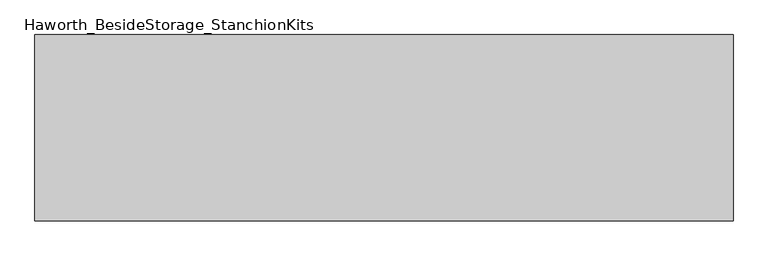
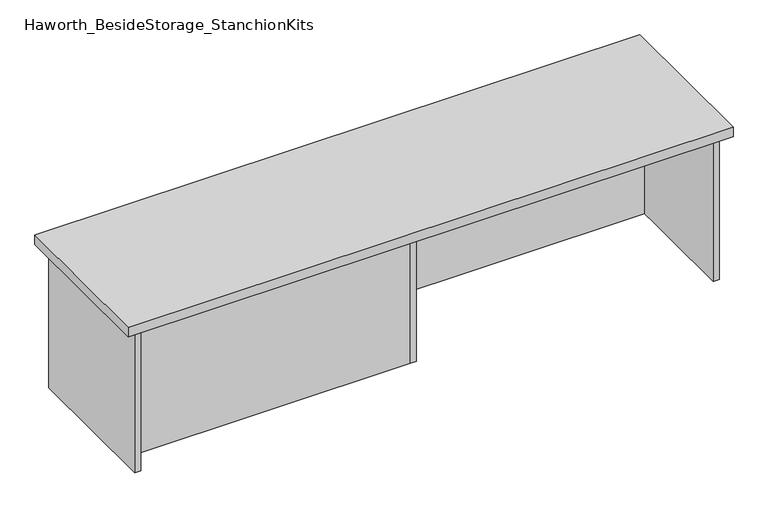
"""IFC4 building model written with IfcOpenShell, lengths in millimetres: furniture geometry, Haworth_BesideStorage_StanchionKits."""

import ifcopenshell
import ifcopenshell.guid

model = None  # the IFC model being written
_history = None  # IfcOwnerHistory: only IFC2X3 demands one
_inside = {}  # id of a spatial element -> (the spatial element, [elements in it])
_under = {}  # id of a project, library or spatial element -> (it, [spatial elements below it])
_declared = {}  # id of a project -> (the project, [libraries it declares])
_typed = {}  # id of a type object -> (the type object, [elements of that type])
_made_of = {}  # id of a material, layer set ... -> (it, [elements and type objects made of it])


def new_model(schema):
    """Start an empty IFC model of exactly this schema.

    Asked for "IFC4X3", IfcOpenShell would pick the latest addendum, in which some entities
    have other attributes; the version numbers below select the first issue.
    IFC2X3 requires an IfcOwnerHistory on every rooted entity: one is made here for all.
    """
    global model, _history
    if schema == "IFC4X3":
        model = ifcopenshell.file(schema_version=(4, 3, 0, 0))
    else:
        model = ifcopenshell.file(schema=schema)
    _inside.clear()
    _under.clear()
    _declared.clear()
    _typed.clear()
    _made_of.clear()
    _history = None
    if model.schema == "IFC2X3":
        org = make("IfcOrganization", Name="unknown")
        user = make(
            "IfcPersonAndOrganization",
            ThePerson=make("IfcPerson", FamilyName="unknown"),
            TheOrganization=org,
        )
        app = make(
            "IfcApplication",
            ApplicationDeveloper=org,
            Version="unknown",
            ApplicationFullName="unknown",
            ApplicationIdentifier="unknown",
        )
        _history = make(
            "IfcOwnerHistory",
            OwningUser=user,
            OwningApplication=app,
            ChangeAction="ADDED",
            CreationDate=0,
        )
    return model


def make(cls, **values):
    """One entity of the class cls with the attributes given. An attribute that is None is left unset."""
    return model.create_entity(
        cls, **{name: value for name, value in values.items() if value is not None}
    )


def rooted(cls, **values):
    """An entity with a GlobalId (a new one), such as an element, a storey or a relation."""
    return make(cls, GlobalId=ifcopenshell.guid.new(), OwnerHistory=_history, **values)


def si_unit(unit_type, name, prefix=None):
    """IfcSIUnit, for example si_unit("LENGTHUNIT", "METRE", prefix="MILLI")."""
    return make("IfcSIUnit", UnitType=unit_type, Prefix=prefix, Name=name)


def assignment(units):
    """IfcUnitAssignment: the units of a project."""
    return None if units is None else make("IfcUnitAssignment", Units=units)


def point(xyz):
    """IfcCartesianPoint."""
    return None if xyz is None else make("IfcCartesianPoint", Coordinates=xyz)


def direction(xyz):
    """IfcDirection."""
    return None if xyz is None else make("IfcDirection", DirectionRatios=xyz)


def frame(location, z_axis=None, x_axis=None):
    """IfcAxis2Placement3D, a coordinate frame: its origin and axes. An axis left out is left unset."""
    return make(
        "IfcAxis2Placement3D",
        Location=point(location),
        Axis=direction(z_axis),
        RefDirection=direction(x_axis),
    )


def origin():
    """The frame at (0, 0, 0) with its axes left unset."""
    return frame((0.0, 0.0, 0.0))


def place(relative_to, where):
    """IfcLocalPlacement: puts the frame where relative to a parent placement (None: the world)."""
    return make(
        "IfcLocalPlacement", PlacementRelTo=relative_to, RelativePlacement=where
    )


def context(
    kind, dimensions, precision=None, world=None, true_north=None, identifier=None
):
    """IfcGeometricRepresentationContext, for example the 3D "Model" context."""
    return make(
        "IfcGeometricRepresentationContext",
        ContextIdentifier=identifier,
        ContextType=kind,
        CoordinateSpaceDimension=dimensions,
        Precision=precision,
        WorldCoordinateSystem=world,
        TrueNorth=true_north,
    )


def project(units=None, contexts=None):
    """IfcProject with its units and contexts."""
    return rooted(
        "IfcProject",
        Name="project",
        RepresentationContexts=contexts,
        UnitsInContext=assignment(units),
    )


def spatial(cls, under=None, at=None, **own):
    """A site, building, storey or space (cls), placed at a placement, below another one or the project."""
    s = rooted(cls, ObjectPlacement=at, **own)
    if under is not None:
        _under.setdefault(under.id(), (under, []))[1].append(s)
    return s


def polyline(points):
    """IfcPolyline through the points."""
    return make("IfcPolyline", Points=[point(p) for p in points])


def outline(outer, holes=None, kind="AREA"):
    """IfcArbitraryClosedProfileDef: a profile drawn as a closed curve; with holes, ...WithVoids."""
    if holes is None:
        return make("IfcArbitraryClosedProfileDef", ProfileType=kind, OuterCurve=outer)
    return make(
        "IfcArbitraryProfileDefWithVoids",
        ProfileType=kind,
        OuterCurve=outer,
        InnerCurves=holes,
    )


def extrude(swept, where, along, depth):
    """IfcExtrudedAreaSolid: the profile swept, set in the frame where, extruded along a direction by depth."""
    return make(
        "IfcExtrudedAreaSolid",
        SweptArea=swept,
        Position=where,
        ExtrudedDirection=direction(along),
        Depth=depth,
    )


def shape(context_of_items, identifier, shape_type, items):
    """IfcShapeRepresentation: the items that make up one representation, for example the "Body"."""
    return make(
        "IfcShapeRepresentation",
        ContextOfItems=context_of_items,
        RepresentationIdentifier=identifier,
        RepresentationType=shape_type,
        Items=items,
    )


def source(mapping_origin, context_of_items, identifier, shape_type, items):
    """IfcRepresentationMap: a shape defined once, which mapped items show again and again."""
    return make(
        "IfcRepresentationMap",
        MappingOrigin=mapping_origin,
        MappedRepresentation=shape(context_of_items, identifier, shape_type, items),
    )


def transform(
    local_origin,
    x_axis=None,
    y_axis=None,
    z_axis=None,
    scale=None,
    scale2=None,
    scale3=None,
    uniform=True,
):
    """IfcCartesianTransformationOperator3D, or its non-uniform kind. x_axis, y_axis, z_axis: its Axis1, 2, 3."""
    if uniform:
        return make(
            "IfcCartesianTransformationOperator3D",
            Axis1=direction(x_axis),
            Axis2=direction(y_axis),
            LocalOrigin=point(local_origin),
            Scale=scale,
            Axis3=direction(z_axis),
        )
    return make(
        "IfcCartesianTransformationOperator3DnonUniform",
        Axis1=direction(x_axis),
        Axis2=direction(y_axis),
        LocalOrigin=point(local_origin),
        Scale=scale,
        Axis3=direction(z_axis),
        Scale2=scale2,
        Scale3=scale3,
    )


def mapped(mapping_source, mapping_target):
    """IfcMappedItem: shows the shape of a source again, moved by a transform."""
    return make(
        "IfcMappedItem", MappingSource=mapping_source, MappingTarget=mapping_target
    )


def made_of(thing, what):
    """Note that an element or type object is made of a material, layer set ...; save() writes the relation."""
    if what is not None:
        _made_of.setdefault(what.id(), (what, []))[1].append(thing)
    return thing


def element(
    cls,
    number,
    at=None,
    inside=None,
    cuts=None,
    type_object=None,
    material=None,
    context=None,
    identifier="Body",
    shape_type=None,
    held_by="IfcProductDefinitionShape",
    body=None,
    shapes=None,
    **own,
):
    """One element of the class cls, such as IfcWall. Its Tag is "e" and its number.

    at: its placement. inside: the storey or other place that contains it. cuts: it is an
    opening in that element (IfcRelVoidsElement). A single representation is given by context,
    identifier, shape_type and body (its items); several are given by shapes. held_by: the class
    of the entity that holds the representations. save() writes the other relations.
    """
    e = rooted(cls, Tag="e%d" % number, ObjectPlacement=at, **own)
    if body is not None:
        shapes = [shape(context, identifier, shape_type, body)]
    if shapes is not None:
        e.Representation = make(held_by, Representations=shapes)
    if inside is not None:
        _inside.setdefault(inside.id(), (inside, []))[1].append(e)
    if cuts is not None:
        rooted(
            "IfcRelVoidsElement", RelatingBuildingElement=cuts, RelatedOpeningElement=e
        )
    if type_object is not None:
        _typed.setdefault(type_object.id(), (type_object, []))[1].append(e)
    return made_of(e, material)


def aggregate(whole, parts):
    """IfcRelAggregates: a whole, such as a stair, and the parts it consists of."""
    return rooted("IfcRelAggregates", RelatingObject=whole, RelatedObjects=parts)


def save(model, path):
    """Write the relations noted so far, then the file.

    IfcRelAggregates (storeys below a building ...), IfcRelContainedInSpatialStructure (elements
    in a storey), IfcRelDefinesByType, IfcRelAssociatesMaterial and IfcRelDeclares: one each for
    every whole, place, type object, material and project.
    """
    for whole, parts in _under.values():
        aggregate(whole, parts)
    for where, things in _inside.values():
        rooted(
            "IfcRelContainedInSpatialStructure",
            RelatedElements=things,
            RelatingStructure=where,
        )
    for kind, things in _typed.values():
        rooted("IfcRelDefinesByType", RelatedObjects=things, RelatingType=kind)
    for what, things in _made_of.values():
        rooted("IfcRelAssociatesMaterial", RelatedObjects=things, RelatingMaterial=what)
    for by, libraries in _declared.values():
        rooted("IfcRelDeclares", RelatingContext=by, RelatedDefinitions=libraries)
    model.write(path)


def haworth_besidestorage_stanchionkits_37e6fd96(model_context):
    return source(origin(), model_context, "Body", "SweptSolid", [
        extrude(outline(polyline([(923.925, 0.0), (923.925, -406.4), (-600.075, -406.4), (-600.075, 0.0), (923.925, 0.0)])), frame((0.0, 0.0, 812.8), z_axis=(0.0, 0.0, 1.0), x_axis=(1.0, 0.0, 0.0)), (0.0, 0.0, 1.0), 25.4),
        extrude(outline(polyline([(169.8625, -76.2), (882.65, -76.2), (882.65, -92.075), (169.8625, -92.075), (169.8625, -76.2)])), frame((0.0, 0.0, 431.8), z_axis=(0.0, 0.0, 1.0), x_axis=(1.0, 0.0, 0.0)), (0.0, 0.0, 1.0), 381.0),
        extrude(outline(polyline([(153.9875, -314.325), (153.9875, -330.2), (-558.8, -330.2), (-558.8, -314.325), (153.9875, -314.325)])), frame((0.0, 0.0, 431.8), z_axis=(0.0, 0.0, 1.0), x_axis=(1.0, 0.0, 0.0)), (0.0, 0.0, 1.0), 381.0),
        extrude(outline(polyline([(169.8625, -330.2), (153.9875, -330.2), (153.9875, -76.2), (169.8625, -76.2), (169.8625, -330.2)])), frame((0.0, 0.0, 431.8), z_axis=(0.0, 0.0, 1.0), x_axis=(1.0, 0.0, 0.0)), (0.0, 0.0, 1.0), 381.0),
        extrude(outline(polyline([(898.525, -390.525), (882.65, -390.525), (882.65, -15.875), (898.525, -15.875), (898.525, -390.525)])), frame((0.0, 0.0, 431.8), z_axis=(0.0, 0.0, 1.0), x_axis=(1.0, 0.0, 0.0)), (0.0, 0.0, 1.0), 381.0),
        extrude(outline(polyline([(-558.8, -390.525), (-574.675, -390.525), (-574.675, -15.875), (-558.8, -15.875), (-558.8, -390.525)])), frame((0.0, 0.0, 431.8), z_axis=(0.0, 0.0, 1.0), x_axis=(1.0, 0.0, 0.0)), (0.0, 0.0, 1.0), 381.0),
    ])


if __name__ == "__main__":
    model = new_model("IFC4")
    model_context = context("Model", 3, world=origin())
    ifc_project = project(units=[si_unit("LENGTHUNIT", "METRE", prefix="MILLI")], contexts=[model_context])
    site = spatial("IfcSite", under=ifc_project)
    building = spatial("IfcBuilding", under=site)
    placement = place(None, origin())
    haworth_besidestorage_stanchionkits_shape = haworth_besidestorage_stanchionkits_37e6fd96(model_context)
    element("IfcFurniture", 1, ObjectType="Haworth_BesideStorage_StanchionKits", at=placement, inside=building, context=model_context, shape_type="MappedRepresentation", body=[
        mapped(haworth_besidestorage_stanchionkits_shape, transform((0.0, 0.0, 0.0), x_axis=(1.0, 0.0, 0.0), y_axis=(0.0, 1.0, 0.0), z_axis=(0.0, 0.0, 1.0))),
    ])
    save(model, "model.ifc")
